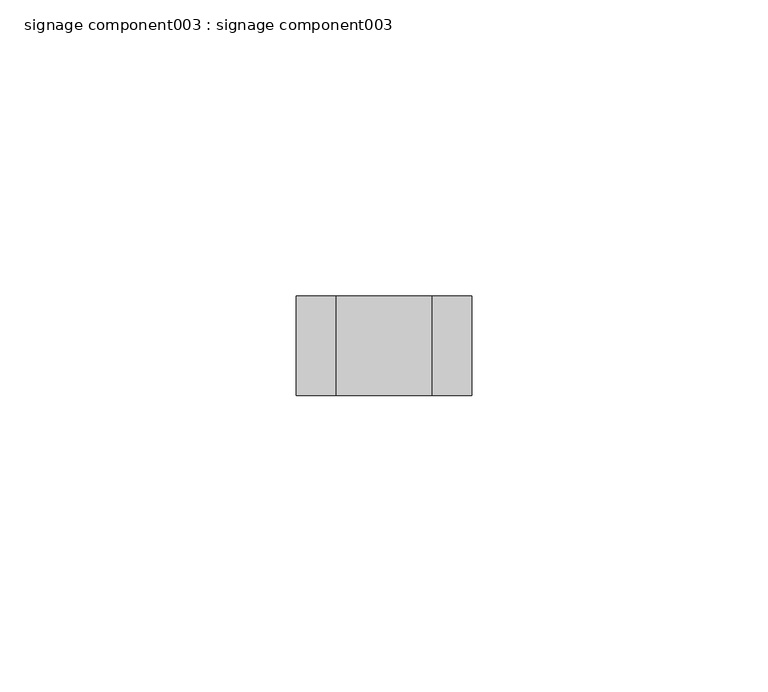
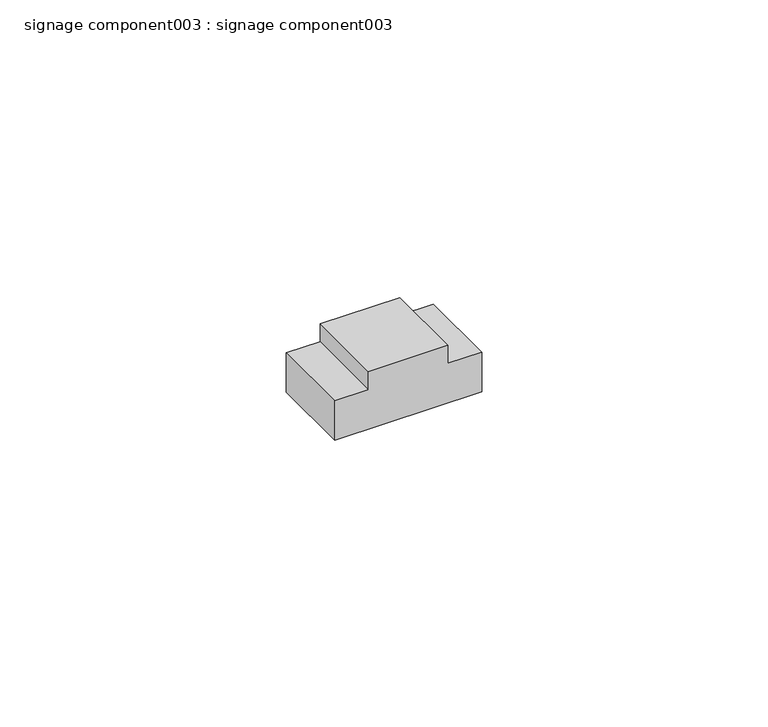
"""IFC4 building model written with IfcOpenShell, lengths in millimetres: proxy geometry, signage component003 : signage component003."""

from ifc_helpers import new_model, si_unit, frame, origin, place, context, project, spatial, polyline, outline, extrude, source, transform, mapped, element, save


def signage_component003_signage_component003_5d54091e(model_context):
    return source(origin(), model_context, "Body", "SweptSolid", [
        extrude(outline(polyline([(3150.4774994, 39339.2149342), (3146.6611278, 39339.2149342), (3146.6611278, 39332.4269605), (3138.2516547, 39332.4269605), (3138.2516547, 39362.0512406), (3146.6611278, 39362.0512406), (3146.6611278, 39355.2632669), (3150.4774994, 39355.2632669), (3150.4774994, 39339.2149342)])), frame((0.0, -25110.0893227, 0.0), z_axis=(0.0, 1.0, 0.0), x_axis=(0.0, 0.0, 1.0)), (0.0, 0.0, 1.0), 16.8334581),
    ])


if __name__ == "__main__":
    model = new_model("IFC4")
    model_context = context("Model", 3, world=origin())
    ifc_project = project(units=[si_unit("LENGTHUNIT", "METRE", prefix="MILLI")], contexts=[model_context])
    site = spatial("IfcSite", under=ifc_project)
    building = spatial("IfcBuilding", under=site)
    placement = place(None, origin())
    signage_component003_signage_component003_shape = signage_component003_signage_component003_5d54091e(model_context)
    element("IfcBuildingElementProxy", 1, Name="signage component003 : signage component003", ObjectType="signage component003 : signage component003", at=placement, inside=building, context=model_context, shape_type="MappedRepresentation", body=[
        mapped(signage_component003_signage_component003_shape, transform((0.0, 0.0, 0.0), x_axis=(1.0, 0.0, 0.0), y_axis=(0.0, 1.0, 0.0), z_axis=(0.0, 0.0, 1.0))),
    ])
    save(model, "model.ifc")
